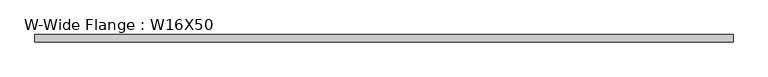
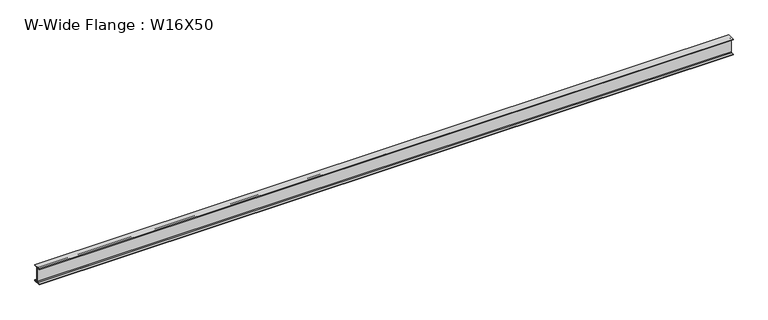
"""IFC4 building model written with IfcOpenShell, lengths in millimetres: beam geometry, W-Wide Flange : W16X50."""

from ifc_helpers import new_model, si_unit, point, frame, frame_2d, origin, place, context, project, spatial, polyline, circle_curve, trimmed, segment, composite_curve, outline, extrude, source, transform, mapped, element, save


def w_wide_flange_w16x50_21e67179(model_context):
    return source(origin(), model_context, "Body", "SweptSolid", [
        extrude(outline(composite_curve([segment(polyline([(89.8, -191.0), (89.8, -207.0), (-89.8, -207.0), (-89.8, -191.0), (-22.15, -191.0)]), True, "CONTINUOUS"), segment(trimmed(circle_curve(frame_2d((-22.15, -173.7)), 17.3), [point((-22.15, -191.0))], [point((-4.85, -173.7))], True, "CARTESIAN"), True, "CONTINUOUS"), segment(polyline([(-4.85, -173.7), (-4.85, 173.7)]), True, "CONTINUOUS"), segment(trimmed(circle_curve(frame_2d((-22.15, 173.7)), 17.3), [point((-4.85, 173.7))], [point((-22.15, 191.0))], True, "CARTESIAN"), True, "CONTINUOUS"), segment(polyline([(-22.15, 191.0), (-89.8, 191.0), (-89.8, 207.0), (89.8, 207.0), (89.8, 191.0), (22.15, 191.0)]), True, "CONTINUOUS"), segment(trimmed(circle_curve(frame_2d((22.15, 173.7)), 17.3), [point((22.15, 191.0))], [point((4.85, 173.7))], True, "CARTESIAN"), True, "CONTINUOUS"), segment(polyline([(4.85, 173.7), (4.85, -173.7)]), True, "CONTINUOUS"), segment(trimmed(circle_curve(frame_2d((22.15, -173.7)), 17.3), [point((4.85, -173.7))], [point((22.15, -191.0))], True, "CARTESIAN"), True, "CONTINUOUS"), segment(polyline([(22.15, -191.0), (89.8, -191.0)]), True, "CONTINUOUS")], self_intersect=False)), frame((-4821.4165125, 0.0, 0.0), z_axis=(1.0, 0.0, 0.0), x_axis=(0.0, 1.0, 0.0)), (0.0, 0.0, 1.0), 17159.1427147),
    ])


if __name__ == "__main__":
    model = new_model("IFC4")
    model_context = context("Model", 3, world=origin())
    ifc_project = project(units=[si_unit("LENGTHUNIT", "METRE", prefix="MILLI")], contexts=[model_context])
    site = spatial("IfcSite", under=ifc_project)
    building = spatial("IfcBuilding", under=site)
    placement = place(None, origin())
    w_wide_flange_w16x50_shape = w_wide_flange_w16x50_21e67179(model_context)
    element("IfcBeam", 1, ObjectType="W-Wide Flange : W16X50", at=placement, inside=building, context=model_context, shape_type="MappedRepresentation", body=[
        mapped(w_wide_flange_w16x50_shape, transform((0.0, 0.0, 0.0), x_axis=(1.0, 0.0, 0.0), y_axis=(0.0, 1.0, 0.0), z_axis=(0.0, 0.0, 1.0))),
    ])
    save(model, "model.ifc")
